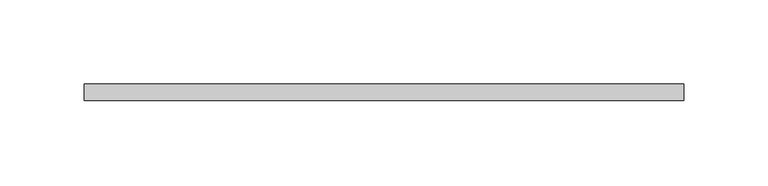
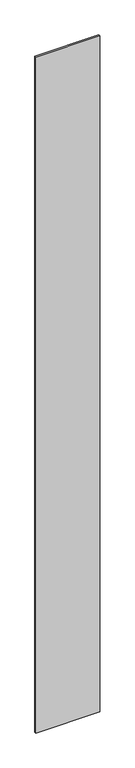
"""IFC4 building model written with IfcOpenShell, lengths in millimetres: plate geometry."""

from ifc_helpers import new_model, si_unit, origin, origin_with_axes, place, context, project, spatial, polyline, outline, extrude, source, transform, mapped, element, save


def plate_97be90fd(model_context):
    return source(origin(), model_context, "Body", "SweptSolid", [
        extrude(outline(polyline([(178.254713, -5.0), (-178.254713, -5.0), (-178.254713, 5.0), (178.254713, 5.0), (178.254713, -5.0)])), origin_with_axes(), (0.0, 0.0, 1.0), 4000.0),
    ])


if __name__ == "__main__":
    model = new_model("IFC4")
    model_context = context("Model", 3, world=origin())
    ifc_project = project(units=[si_unit("LENGTHUNIT", "METRE", prefix="MILLI")], contexts=[model_context])
    site = spatial("IfcSite", under=ifc_project)
    building = spatial("IfcBuilding", under=site)
    placement = place(None, origin())
    plate_shape = plate_97be90fd(model_context)
    element("IfcPlate", 1, at=placement, inside=building, context=model_context, shape_type="MappedRepresentation", body=[
        mapped(plate_shape, transform((0.0, 0.0, 0.0), x_axis=(1.0, 0.0, 0.0), y_axis=(0.0, 1.0, 0.0), z_axis=(0.0, 0.0, 1.0))),
    ])
    save(model, "model.ifc")
